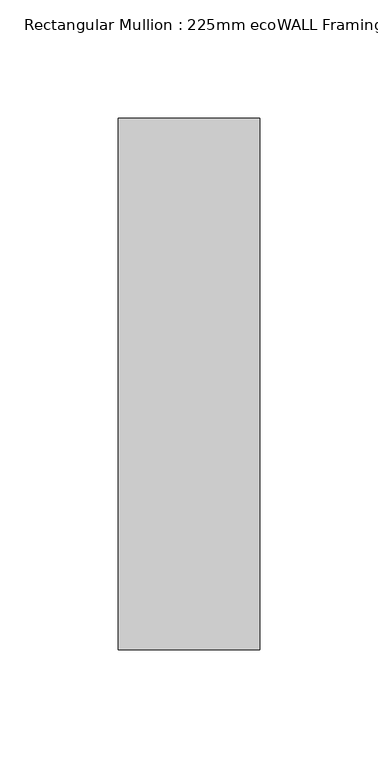
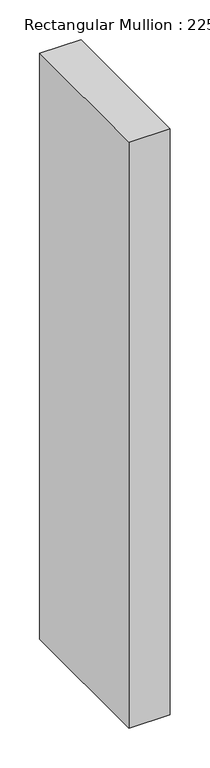
"""IFC4 building model written with IfcOpenShell, lengths in millimetres: member geometry, Rectangular Mullion : 225mm ecoWALL Framing."""

import ifcopenshell
import ifcopenshell.guid

model = None  # the IFC model being written
_history = None  # IfcOwnerHistory: only IFC2X3 demands one
_inside = {}  # id of a spatial element -> (the spatial element, [elements in it])
_under = {}  # id of a project, library or spatial element -> (it, [spatial elements below it])
_declared = {}  # id of a project -> (the project, [libraries it declares])
_typed = {}  # id of a type object -> (the type object, [elements of that type])
_made_of = {}  # id of a material, layer set ... -> (it, [elements and type objects made of it])


def new_model(schema):
    """Start an empty IFC model of exactly this schema.

    Asked for "IFC4X3", IfcOpenShell would pick the latest addendum, in which some entities
    have other attributes; the version numbers below select the first issue.
    IFC2X3 requires an IfcOwnerHistory on every rooted entity: one is made here for all.
    """
    global model, _history
    if schema == "IFC4X3":
        model = ifcopenshell.file(schema_version=(4, 3, 0, 0))
    else:
        model = ifcopenshell.file(schema=schema)
    _inside.clear()
    _under.clear()
    _declared.clear()
    _typed.clear()
    _made_of.clear()
    _history = None
    if model.schema == "IFC2X3":
        org = make("IfcOrganization", Name="unknown")
        user = make(
            "IfcPersonAndOrganization",
            ThePerson=make("IfcPerson", FamilyName="unknown"),
            TheOrganization=org,
        )
        app = make(
            "IfcApplication",
            ApplicationDeveloper=org,
            Version="unknown",
            ApplicationFullName="unknown",
            ApplicationIdentifier="unknown",
        )
        _history = make(
            "IfcOwnerHistory",
            OwningUser=user,
            OwningApplication=app,
            ChangeAction="ADDED",
            CreationDate=0,
        )
    return model


def make(cls, **values):
    """One entity of the class cls with the attributes given. An attribute that is None is left unset."""
    return model.create_entity(
        cls, **{name: value for name, value in values.items() if value is not None}
    )


def rooted(cls, **values):
    """An entity with a GlobalId (a new one), such as an element, a storey or a relation."""
    return make(cls, GlobalId=ifcopenshell.guid.new(), OwnerHistory=_history, **values)


def si_unit(unit_type, name, prefix=None):
    """IfcSIUnit, for example si_unit("LENGTHUNIT", "METRE", prefix="MILLI")."""
    return make("IfcSIUnit", UnitType=unit_type, Prefix=prefix, Name=name)


def assignment(units):
    """IfcUnitAssignment: the units of a project."""
    return None if units is None else make("IfcUnitAssignment", Units=units)


def point(xyz):
    """IfcCartesianPoint."""
    return None if xyz is None else make("IfcCartesianPoint", Coordinates=xyz)


def direction(xyz):
    """IfcDirection."""
    return None if xyz is None else make("IfcDirection", DirectionRatios=xyz)


def frame(location, z_axis=None, x_axis=None):
    """IfcAxis2Placement3D, a coordinate frame: its origin and axes. An axis left out is left unset."""
    return make(
        "IfcAxis2Placement3D",
        Location=point(location),
        Axis=direction(z_axis),
        RefDirection=direction(x_axis),
    )


def origin():
    """The frame at (0, 0, 0) with its axes left unset."""
    return frame((0.0, 0.0, 0.0))


def place(relative_to, where):
    """IfcLocalPlacement: puts the frame where relative to a parent placement (None: the world)."""
    return make(
        "IfcLocalPlacement", PlacementRelTo=relative_to, RelativePlacement=where
    )


def context(
    kind, dimensions, precision=None, world=None, true_north=None, identifier=None
):
    """IfcGeometricRepresentationContext, for example the 3D "Model" context."""
    return make(
        "IfcGeometricRepresentationContext",
        ContextIdentifier=identifier,
        ContextType=kind,
        CoordinateSpaceDimension=dimensions,
        Precision=precision,
        WorldCoordinateSystem=world,
        TrueNorth=true_north,
    )


def project(units=None, contexts=None):
    """IfcProject with its units and contexts."""
    return rooted(
        "IfcProject",
        Name="project",
        RepresentationContexts=contexts,
        UnitsInContext=assignment(units),
    )


def spatial(cls, under=None, at=None, **own):
    """A site, building, storey or space (cls), placed at a placement, below another one or the project."""
    s = rooted(cls, ObjectPlacement=at, **own)
    if under is not None:
        _under.setdefault(under.id(), (under, []))[1].append(s)
    return s


def polyline(points):
    """IfcPolyline through the points."""
    return make("IfcPolyline", Points=[point(p) for p in points])


def outline(outer, holes=None, kind="AREA"):
    """IfcArbitraryClosedProfileDef: a profile drawn as a closed curve; with holes, ...WithVoids."""
    if holes is None:
        return make("IfcArbitraryClosedProfileDef", ProfileType=kind, OuterCurve=outer)
    return make(
        "IfcArbitraryProfileDefWithVoids",
        ProfileType=kind,
        OuterCurve=outer,
        InnerCurves=holes,
    )


def extrude(swept, where, along, depth):
    """IfcExtrudedAreaSolid: the profile swept, set in the frame where, extruded along a direction by depth."""
    return make(
        "IfcExtrudedAreaSolid",
        SweptArea=swept,
        Position=where,
        ExtrudedDirection=direction(along),
        Depth=depth,
    )


def shape(context_of_items, identifier, shape_type, items):
    """IfcShapeRepresentation: the items that make up one representation, for example the "Body"."""
    return make(
        "IfcShapeRepresentation",
        ContextOfItems=context_of_items,
        RepresentationIdentifier=identifier,
        RepresentationType=shape_type,
        Items=items,
    )


def source(mapping_origin, context_of_items, identifier, shape_type, items):
    """IfcRepresentationMap: a shape defined once, which mapped items show again and again."""
    return make(
        "IfcRepresentationMap",
        MappingOrigin=mapping_origin,
        MappedRepresentation=shape(context_of_items, identifier, shape_type, items),
    )


def transform(
    local_origin,
    x_axis=None,
    y_axis=None,
    z_axis=None,
    scale=None,
    scale2=None,
    scale3=None,
    uniform=True,
):
    """IfcCartesianTransformationOperator3D, or its non-uniform kind. x_axis, y_axis, z_axis: its Axis1, 2, 3."""
    if uniform:
        return make(
            "IfcCartesianTransformationOperator3D",
            Axis1=direction(x_axis),
            Axis2=direction(y_axis),
            LocalOrigin=point(local_origin),
            Scale=scale,
            Axis3=direction(z_axis),
        )
    return make(
        "IfcCartesianTransformationOperator3DnonUniform",
        Axis1=direction(x_axis),
        Axis2=direction(y_axis),
        LocalOrigin=point(local_origin),
        Scale=scale,
        Axis3=direction(z_axis),
        Scale2=scale2,
        Scale3=scale3,
    )


def mapped(mapping_source, mapping_target):
    """IfcMappedItem: shows the shape of a source again, moved by a transform."""
    return make(
        "IfcMappedItem", MappingSource=mapping_source, MappingTarget=mapping_target
    )


def made_of(thing, what):
    """Note that an element or type object is made of a material, layer set ...; save() writes the relation."""
    if what is not None:
        _made_of.setdefault(what.id(), (what, []))[1].append(thing)
    return thing


def element(
    cls,
    number,
    at=None,
    inside=None,
    cuts=None,
    type_object=None,
    material=None,
    context=None,
    identifier="Body",
    shape_type=None,
    held_by="IfcProductDefinitionShape",
    body=None,
    shapes=None,
    **own,
):
    """One element of the class cls, such as IfcWall. Its Tag is "e" and its number.

    at: its placement. inside: the storey or other place that contains it. cuts: it is an
    opening in that element (IfcRelVoidsElement). A single representation is given by context,
    identifier, shape_type and body (its items); several are given by shapes. held_by: the class
    of the entity that holds the representations. save() writes the other relations.
    """
    e = rooted(cls, Tag="e%d" % number, ObjectPlacement=at, **own)
    if body is not None:
        shapes = [shape(context, identifier, shape_type, body)]
    if shapes is not None:
        e.Representation = make(held_by, Representations=shapes)
    if inside is not None:
        _inside.setdefault(inside.id(), (inside, []))[1].append(e)
    if cuts is not None:
        rooted(
            "IfcRelVoidsElement", RelatingBuildingElement=cuts, RelatedOpeningElement=e
        )
    if type_object is not None:
        _typed.setdefault(type_object.id(), (type_object, []))[1].append(e)
    return made_of(e, material)


def aggregate(whole, parts):
    """IfcRelAggregates: a whole, such as a stair, and the parts it consists of."""
    return rooted("IfcRelAggregates", RelatingObject=whole, RelatedObjects=parts)


def save(model, path):
    """Write the relations noted so far, then the file.

    IfcRelAggregates (storeys below a building ...), IfcRelContainedInSpatialStructure (elements
    in a storey), IfcRelDefinesByType, IfcRelAssociatesMaterial and IfcRelDeclares: one each for
    every whole, place, type object, material and project.
    """
    for whole, parts in _under.values():
        aggregate(whole, parts)
    for where, things in _inside.values():
        rooted(
            "IfcRelContainedInSpatialStructure",
            RelatedElements=things,
            RelatingStructure=where,
        )
    for kind, things in _typed.values():
        rooted("IfcRelDefinesByType", RelatedObjects=things, RelatingType=kind)
    for what, things in _made_of.values():
        rooted("IfcRelAssociatesMaterial", RelatedObjects=things, RelatingMaterial=what)
    for by, libraries in _declared.values():
        rooted("IfcRelDeclares", RelatingContext=by, RelatedDefinitions=libraries)
    model.write(path)


def rectangular_mullion_225mm_ecowall_framing_b874ff57(model_context):
    return source(origin(), model_context, "Body", "SweptSolid", [
        extrude(outline(polyline([(0.0, 112.5), (0.0, -112.5), (-60.0, -112.5), (-60.0, 112.5), (0.0, 112.5)])), frame((0.0, 0.0, -900.0), z_axis=(0.0, 0.0, 1.0), x_axis=(1.0, 0.0, 0.0)), (0.0, 0.0, 1.0), 900.0),
    ])


if __name__ == "__main__":
    model = new_model("IFC4")
    model_context = context("Model", 3, world=origin())
    ifc_project = project(units=[si_unit("LENGTHUNIT", "METRE", prefix="MILLI")], contexts=[model_context])
    site = spatial("IfcSite", under=ifc_project)
    building = spatial("IfcBuilding", under=site)
    placement = place(None, origin())
    rectangular_mullion_225mm_ecowall_framing_shape = rectangular_mullion_225mm_ecowall_framing_b874ff57(model_context)
    element("IfcMember", 1, ObjectType="Rectangular Mullion : 225mm ecoWALL Framing", at=placement, inside=building, context=model_context, shape_type="MappedRepresentation", body=[
        mapped(rectangular_mullion_225mm_ecowall_framing_shape, transform((0.0, 0.0, 0.0), x_axis=(1.0, 0.0, 0.0), y_axis=(0.0, 1.0, 0.0), z_axis=(0.0, 0.0, 1.0))),
    ])
    save(model, "model.ifc")
